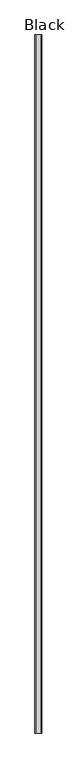
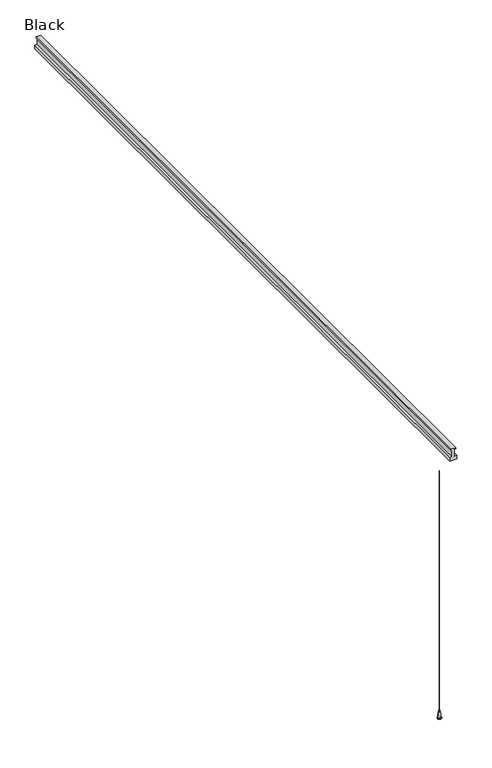
"""IFC4 building model written with IfcOpenShell, lengths in millimetres: proxy geometry, Black."""

from ifc_helpers import new_model, si_unit, point, frame, frame_2d, origin, place, context, project, spatial, polyline, circle_curve, ellipse_curve, trimmed, segment, composite_curve, outline, extrude, source, transform, mapped, element, save
from ifc_brep_helpers import plane_surface, cylinder_surface, revolved_surface, advanced_brep


def black_10838ec0(model_context):
    return source(origin(), model_context, "Body", "SolidModel", [
        advanced_brep(
        [(-1477.0, -1400.0, 35.0), (-1473.0, -1400.0, 35.0), (-1475.0, -1400.0, 35.0), (-1475.0, -1400.0, 0.0), (-1466.9999996, -1400.0, 0.0), (-1483.0000004, -1400.0, 0.0), (-1466.9999996, -1400.0, 2.5000013), (-1483.0000004, -1400.0, 2.5000013), (-1470.5000002, -1400.0, 2.5000013), (-1479.4999998, -1400.0, 2.5000013), (-1470.5000002, -1400.0, 5.5), (-1479.4999998, -1400.0, 5.5), (-1468.9999999, -1400.0, 5.5), (-1481.0000001, -1400.0, 5.5), (-1472.0, -1400.0, 29.9999993), (-1478.0, -1400.0, 29.9999993), (-1473.0, -1400.0, 29.9999993), (-1477.0, -1400.0, 29.9999993)],
        [
            (0, 1, circle_curve(frame((-1475.0, -1400.0, 35.0), z_axis=(0.0, 0.0, 1.0), x_axis=(1.0, 0.0, 0.0)), 2.0)),
            (1, 2),
            (2, 0),
            (1, 0, circle_curve(frame((-1475.0, -1400.0, 35.0), z_axis=(0.0, 0.0, 1.0), x_axis=(1.0, 0.0, 0.0)), 2.0)),
            (3, 4),
            (4, 5, circle_curve(frame((-1475.0, -1400.0, 0.0), z_axis=(0.0, 0.0, -1.0), x_axis=(1.0, 0.0, 0.0)), 8.0000004)),
            (5, 3),
            (5, 4, circle_curve(frame((-1475.0, -1400.0, 0.0), z_axis=(0.0, 0.0, -1.0), x_axis=(1.0, 0.0, 0.0)), 8.0000004)),
            (4, 6),
            (6, 7, circle_curve(frame((-1475.0, -1400.0, 2.5000013), z_axis=(0.0, 0.0, -1.0), x_axis=(1.0, 0.0, 0.0)), 8.0000004)),
            (7, 5),
            (7, 6, circle_curve(frame((-1475.0, -1400.0, 2.5000013), z_axis=(0.0, 0.0, -1.0), x_axis=(1.0, 0.0, 0.0)), 8.0000004)),
            (6, 8),
            (8, 9, circle_curve(frame((-1475.0, -1400.0, 2.5000013), z_axis=(0.0, 0.0, -1.0), x_axis=(1.0, 0.0, 0.0)), 4.4999998)),
            (9, 7),
            (9, 8, circle_curve(frame((-1475.0, -1400.0, 2.5000013), z_axis=(0.0, 0.0, -1.0), x_axis=(1.0, 0.0, 0.0)), 4.4999998)),
            (8, 10),
            (10, 11, circle_curve(frame((-1475.0, -1400.0, 5.5), z_axis=(0.0, 0.0, -1.0), x_axis=(1.0, 0.0, 0.0)), 4.4999998)),
            (11, 9),
            (11, 10, circle_curve(frame((-1475.0, -1400.0, 5.5), z_axis=(0.0, 0.0, -1.0), x_axis=(1.0, 0.0, 0.0)), 4.4999998)),
            (10, 12),
            (12, 13, circle_curve(frame((-1475.0, -1400.0, 5.5), z_axis=(0.0, 0.0, -1.0), x_axis=(1.0, 0.0, 0.0)), 6.0000001)),
            (13, 11),
            (13, 12, circle_curve(frame((-1475.0, -1400.0, 5.5), z_axis=(0.0, 0.0, -1.0), x_axis=(1.0, 0.0, 0.0)), 6.0000001)),
            (12, 14, circle_curve(frame((-1570.5416345, -1400.0, 5.5000032), z_axis=(0.0, -1.0, 0.0), x_axis=(-1.0, 0.0, 0.0)), 101.5416345)),
            (14, 15, circle_curve(frame((-1475.0, -1400.0, 29.9999993), z_axis=(0.0, 0.0, -1.0), x_axis=(1.0, 0.0, 0.0)), 3.0)),
            (15, 13, circle_curve(frame((-1379.4583655, -1400.0, 5.5000032), z_axis=(0.0, -1.0, 0.0), x_axis=(1.0, 0.0, 0.0)), 101.5416345)),
            (15, 14, circle_curve(frame((-1475.0, -1400.0, 29.9999993), z_axis=(0.0, 0.0, -1.0), x_axis=(1.0, 0.0, 0.0)), 3.0)),
            (14, 16),
            (16, 17, circle_curve(frame((-1475.0, -1400.0, 29.9999993), z_axis=(0.0, 0.0, -1.0), x_axis=(1.0, 0.0, 0.0)), 2.0)),
            (17, 15),
            (17, 16, circle_curve(frame((-1475.0, -1400.0, 29.9999993), z_axis=(0.0, 0.0, -1.0), x_axis=(1.0, 0.0, 0.0)), 2.0)),
            (16, 1),
            (0, 17),
        ],
        [
            plane_surface(frame((-1475.0, -1400.0, 35.0), z_axis=(0.0, 0.0, 1.0), x_axis=(1.0, 0.0, 0.0))),
            plane_surface(frame((-1475.0, -1400.0, 0.0), z_axis=(0.0, 0.0, -1.0), x_axis=(1.0, 0.0, 0.0))),
            cylinder_surface(frame((-1475.0, -1400.0, -15.1208873), z_axis=(0.0, 0.0, -1.0), x_axis=(1.0, 0.0, 0.0)), 8.0000004),
            plane_surface(frame((-1475.0, -1400.0, 2.5000013), z_axis=(0.0, 0.0, 1.0), x_axis=(1.0, 0.0, 0.0))),
            cylinder_surface(frame((-1475.0, -1400.0, -15.1208873), z_axis=(0.0, 0.0, -1.0), x_axis=(1.0, 0.0, 0.0)), 4.4999998),
            plane_surface(frame((-1475.0, -1400.0, 5.5), z_axis=(0.0, 0.0, -1.0), x_axis=(1.0, 0.0, 0.0))),
            revolved_surface(trimmed(ellipse_curve(frame((-1570.5416345, -1400.0, 5.5000032), z_axis=(0.0, 1.0, 0.0), x_axis=(-1.0, 0.0, 0.0)), 101.5416345, 101.5416345), [point((-1472.0, -1400.0, 29.9999993))], [point((-1468.9999999, -1400.0, 5.5))], True, "CARTESIAN"), (-1475.0, -1400.0, -15.1208873), (0.0, 0.0, -1.0)),
            plane_surface(frame((-1475.0, -1400.0, 29.9999993), z_axis=(0.0, 0.0, 1.0), x_axis=(1.0, 0.0, 0.0))),
            cylinder_surface(frame((-1475.0, -1400.0, -15.1208873), z_axis=(0.0, 0.0, -1.0), x_axis=(1.0, 0.0, 0.0)), 2.0),
        ],
        [
            (0, [[1, 2, 3]]),
            (0, [[4, -3, -2]]),
            (1, [[5, 6, 7]]),
            (1, [[-7, 8, -5]]),
            (2, [[-6, 9, 10, 11]]),
            (2, [[-8, -11, 12, -9]]),
            (3, [[-10, 13, 14, 15]]),
            (3, [[-12, -15, 16, -13]]),
            (4, [[-14, 17, 18, 19]]),
            (4, [[-16, -19, 20, -17]]),
            (5, [[-18, 21, 22, 23]]),
            (5, [[-20, -23, 24, -21]]),
            (6, [[-22, 25, 26, 27]]),
            (6, [[-24, -27, 28, -25]]),
            (7, [[-26, 29, 30, 31]]),
            (7, [[-28, -31, 32, -29]]),
            (8, [[-30, 33, -1, 34]]),
            (8, [[-32, -34, -4, -33]]),
        ],
    ),
        extrude(outline(composite_curve([segment(trimmed(circle_curve(frame_2d((-1475.0, -1400.0)), 0.65), [point((-1474.35, -1400.0))], [point((-1475.65, -1400.0))], False, "CARTESIAN"), True, "CONTINUOUS"), segment(trimmed(circle_curve(frame_2d((-1475.0, -1400.0)), 0.65), [point((-1475.65, -1400.0))], [point((-1474.35, -1400.0))], False, "CARTESIAN"), True, "CONTINUOUS")], self_intersect=False)), frame((0.0, 0.0, 35.0), z_axis=(0.0, 0.0, 1.0), x_axis=(1.0, 0.0, 0.0)), (0.0, 0.0, 1.0), 1055.0),
        extrude(outline(polyline([(1245.0, -1465.0), (1250.0, -1465.0), (1250.0, -1485.0), (1245.0, -1485.0), (1245.0, -1480.0), (1215.0, -1480.0), (1215.0, -1490.0), (1200.0, -1490.0), (1200.0, -1460.0), (1215.0, -1460.0), (1215.0, -1470.0), (1245.0, -1470.0), (1245.0, -1465.0)])), frame((0.0, -1500.0, 0.0), z_axis=(0.0, 1.0, 0.0), x_axis=(0.0, 0.0, 1.0)), (0.0, 0.0, 1.0), 3000.0),
    ])


if __name__ == "__main__":
    model = new_model("IFC4")
    model_context = context("Model", 3, world=origin())
    ifc_project = project(units=[si_unit("LENGTHUNIT", "METRE", prefix="MILLI")], contexts=[model_context])
    site = spatial("IfcSite", under=ifc_project)
    building = spatial("IfcBuilding", under=site)
    placement = place(None, origin())
    black_shape = black_10838ec0(model_context)
    element("IfcBuildingElementProxy", 1, Name="Black", ObjectType="Black", at=placement, inside=building, context=model_context, shape_type="MappedRepresentation", body=[
        mapped(black_shape, transform((0.0, 0.0, 0.0), x_axis=(1.0, 0.0, 0.0), y_axis=(0.0, 1.0, 0.0), z_axis=(0.0, 0.0, 1.0))),
    ])
    save(model, "model.ifc")
